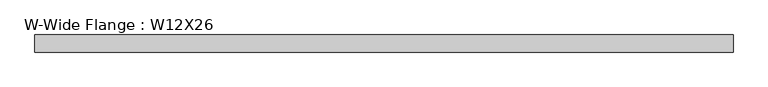
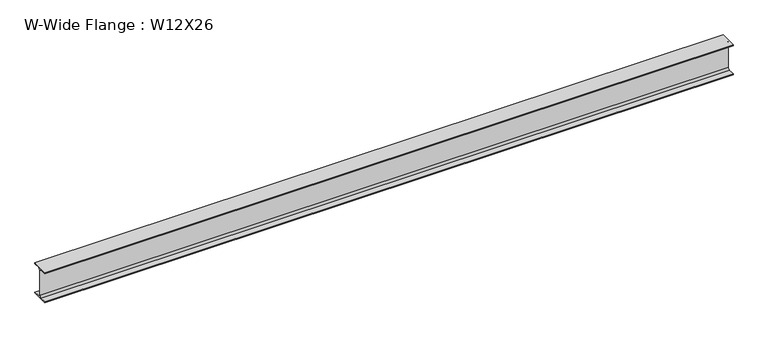
"""IFC4 building model written with IfcOpenShell, lengths in millimetres: beam geometry, W-Wide Flange : W12X26."""

from ifc_helpers import new_model, si_unit, point, frame, frame_2d, origin, place, context, project, spatial, polyline, circle_curve, trimmed, segment, composite_curve, outline, extrude, source, transform, mapped, element, save


def w_wide_flange_w12x26_dfadcac6(model_context):
    return source(origin(), model_context, "Body", "SweptSolid", [
        extrude(outline(composite_curve([segment(polyline([(82.4011719, -145.5539063), (82.4011719, -155.178125), (-82.4011719, -155.178125), (-82.4011719, -145.5539063), (-20.2902344, -145.5539063)]), True, "CONTINUOUS"), segment(trimmed(circle_curve(frame_2d((-20.2902344, -128.190625)), 17.3632812), [point((-20.2902344, -145.5539063))], [point((-2.9269531, -128.190625))], True, "CARTESIAN"), True, "CONTINUOUS"), segment(polyline([(-2.9269531, -128.190625), (-2.9269531, 128.190625)]), True, "CONTINUOUS"), segment(trimmed(circle_curve(frame_2d((-20.2902344, 128.190625)), 17.3632812), [point((-2.9269531, 128.190625))], [point((-20.2902344, 145.5539062))], True, "CARTESIAN"), True, "CONTINUOUS"), segment(polyline([(-20.2902344, 145.5539062), (-82.4011719, 145.5539062), (-82.4011719, 155.178125), (82.4011719, 155.178125), (82.4011719, 145.5539062), (20.2902344, 145.5539062)]), True, "CONTINUOUS"), segment(trimmed(circle_curve(frame_2d((20.2902344, 128.190625)), 17.3632812), [point((20.2902344, 145.5539062))], [point((2.9269531, 128.190625))], True, "CARTESIAN"), True, "CONTINUOUS"), segment(polyline([(2.9269531, 128.190625), (2.9269531, -128.190625)]), True, "CONTINUOUS"), segment(trimmed(circle_curve(frame_2d((20.2902344, -128.190625)), 17.3632812), [point((2.9269531, -128.190625))], [point((20.2902344, -145.5539063))], True, "CARTESIAN"), True, "CONTINUOUS"), segment(polyline([(20.2902344, -145.5539063), (82.4011719, -145.5539063)]), True, "CONTINUOUS")], self_intersect=False)), frame((-3358.515, 0.0, 0.0), z_axis=(1.0, 0.0, 0.0), x_axis=(0.0, 1.0, 0.0)), (0.0, 0.0, 1.0), 6717.03),
    ])


if __name__ == "__main__":
    model = new_model("IFC4")
    model_context = context("Model", 3, world=origin())
    ifc_project = project(units=[si_unit("LENGTHUNIT", "METRE", prefix="MILLI")], contexts=[model_context])
    site = spatial("IfcSite", under=ifc_project)
    building = spatial("IfcBuilding", under=site)
    placement = place(None, origin())
    w_wide_flange_w12x26_shape = w_wide_flange_w12x26_dfadcac6(model_context)
    element("IfcBeam", 1, ObjectType="W-Wide Flange : W12X26", at=placement, inside=building, context=model_context, shape_type="MappedRepresentation", body=[
        mapped(w_wide_flange_w12x26_shape, transform((0.0, 0.0, 0.0), x_axis=(1.0, 0.0, 0.0), y_axis=(0.0, 1.0, 0.0), z_axis=(0.0, 0.0, 1.0))),
    ])
    save(model, "model.ifc")
